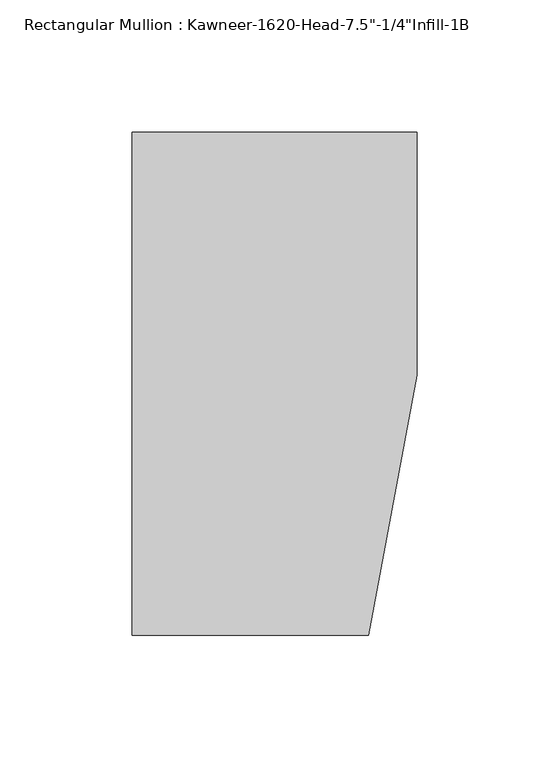
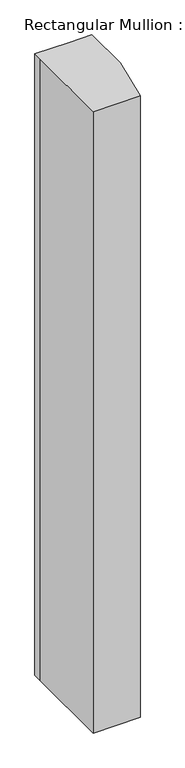
"""IFC4 building model written with IfcOpenShell, lengths in millimetres: member geometry."""

from ifc_helpers import new_model, si_unit, frame, origin, place, context, project, spatial, polyline, outline, extrude, source, transform, mapped, element, save


def member_4e77a828(model_context):
    return source(origin(), model_context, "Body", "SweptSolid", [
        extrude(outline(polyline([(-107.95, 10.3845466), (-107.95, 28.575), (-44.1519366, 28.575), (0.0, 28.575), (0.0, -63.5), (-18.3538271, -161.925), (-107.95, -161.925), (-107.95, 10.3845466)])), frame((0.0, 0.0, -1244.0690081), z_axis=(0.0, 0.0, 1.0), x_axis=(1.0, 0.0, 0.0)), (0.0, 0.0, 1.0), 1244.0690081),
    ])


if __name__ == "__main__":
    model = new_model("IFC4")
    model_context = context("Model", 3, world=origin())
    ifc_project = project(units=[si_unit("LENGTHUNIT", "METRE", prefix="MILLI")], contexts=[model_context])
    site = spatial("IfcSite", under=ifc_project)
    building = spatial("IfcBuilding", under=site)
    placement = place(None, origin())
    member_shape = member_4e77a828(model_context)
    element("IfcMember", 1, ObjectType="Rectangular Mullion : Kawneer-1620-Head-7.5\"-1/4\"Infill-1B", at=placement, inside=building, context=model_context, shape_type="MappedRepresentation", body=[
        mapped(member_shape, transform((0.0, 0.0, 0.0), x_axis=(1.0, 0.0, 0.0), y_axis=(0.0, 1.0, 0.0), z_axis=(0.0, 0.0, 1.0))),
    ])
    save(model, "model.ifc")
